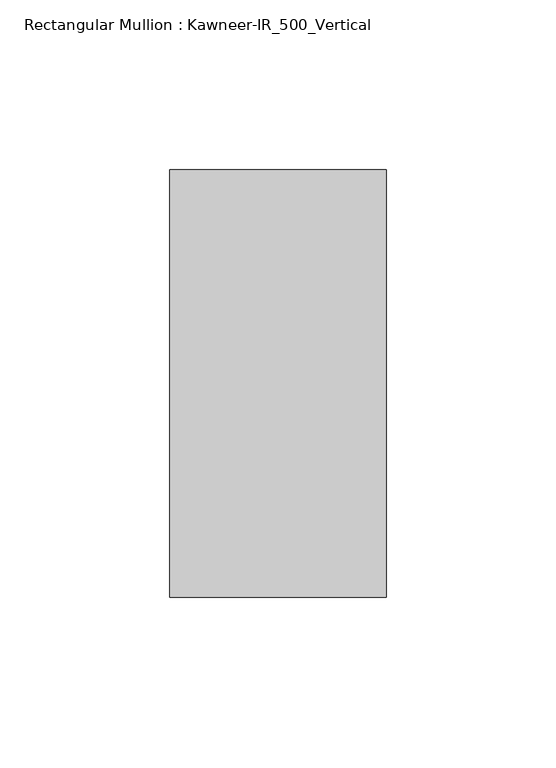
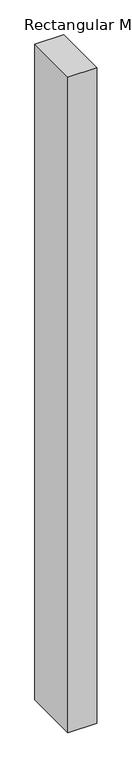
"""IFC4 building model written with IfcOpenShell, lengths in millimetres: member geometry, Rectangular Mullion : Kawneer-IR_500_Vertical."""

from ifc_helpers import new_model, si_unit, frame, origin, place, context, project, spatial, polyline, outline, extrude, source, transform, mapped, element, save


def rectangular_mullion_kawneer_ir_500_vertical_d505c88b(model_context):
    return source(origin(), model_context, "Body", "SweptSolid", [
        extrude(outline(polyline([(-63.6202663, 62.8904), (0.0, 62.8904), (0.0, -62.8904), (-63.6202663, -62.8904), (-63.6202663, 62.8904)])), frame((0.0, 0.0, -1524.0), z_axis=(0.0, 0.0, 1.0), x_axis=(1.0, 0.0, 0.0)), (0.0, 0.0, 1.0), 1524.0),
    ])


if __name__ == "__main__":
    model = new_model("IFC4")
    model_context = context("Model", 3, world=origin())
    ifc_project = project(units=[si_unit("LENGTHUNIT", "METRE", prefix="MILLI")], contexts=[model_context])
    site = spatial("IfcSite", under=ifc_project)
    building = spatial("IfcBuilding", under=site)
    placement = place(None, origin())
    rectangular_mullion_kawneer_ir_500_vertical_shape = rectangular_mullion_kawneer_ir_500_vertical_d505c88b(model_context)
    element("IfcMember", 1, ObjectType="Rectangular Mullion : Kawneer-IR_500_Vertical", at=placement, inside=building, context=model_context, shape_type="MappedRepresentation", body=[
        mapped(rectangular_mullion_kawneer_ir_500_vertical_shape, transform((0.0, 0.0, 0.0), x_axis=(1.0, 0.0, 0.0), y_axis=(0.0, 1.0, 0.0), z_axis=(0.0, 0.0, 1.0))),
    ])
    save(model, "model.ifc")
